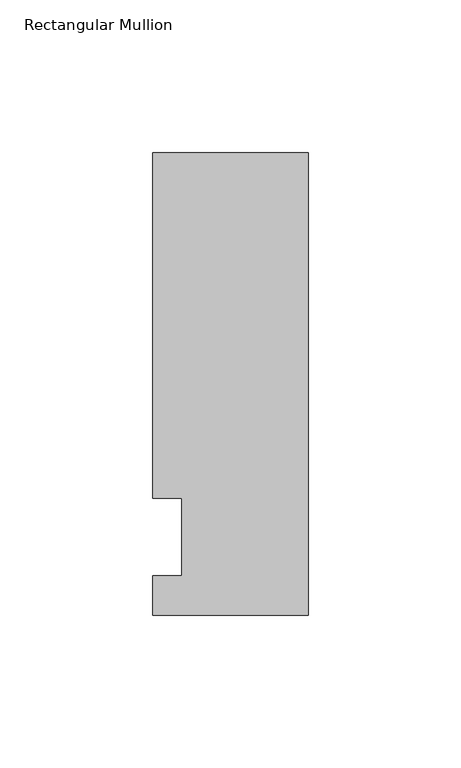
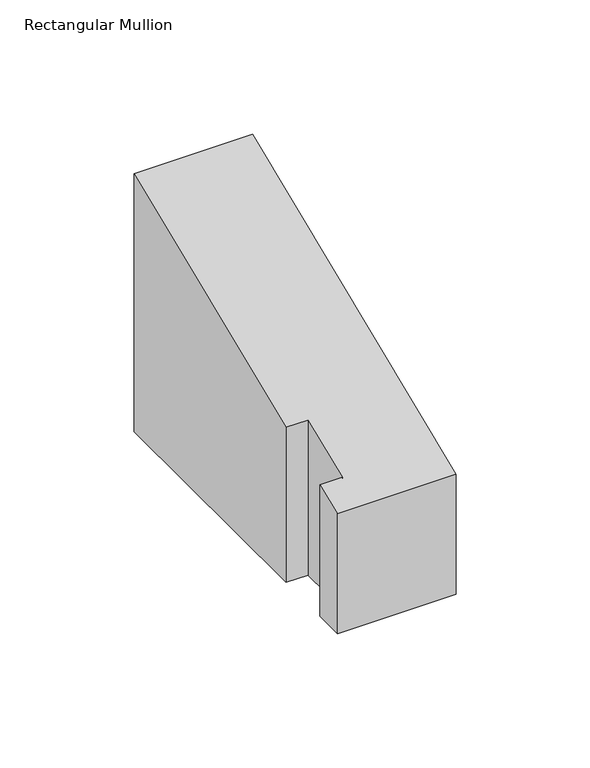
"""IFC4 building model written with IfcOpenShell, lengths in millimetres: member geometry, Rectangular Mullion."""

from ifc_helpers import new_model, si_unit, origin, place, context, project, spatial, faceted_brep, source, transform, mapped, element, save


def rectangular_mullion_52c4b442(model_context):
    return source(origin(), model_context, "Body", "Brep", [
        faceted_brep([(-50.8, -25.5984375, -65.0875), (-50.8, -12.7, -65.0875), (-41.275, -12.7, -65.0875), (-41.275, 12.7, -65.0875), (-50.8, 12.7, -65.0875), (-50.8, 125.6109375, -65.0875), (0.0, 125.6109375, -65.0875), (0.0, -25.5984375, -65.0875), (0.0, -25.5984375, -10.60322), (-50.8, -25.5984375, -10.60322), (0.0, 125.6109375, 52.0297539), (-50.8, 125.6109375, 52.0297539), (-50.8, 12.7, 5.2605122), (-41.275, 12.7, 5.2605122), (-41.275, -12.7, -5.2605122), (-50.8, -12.7, -5.2605122)], [[[0, 1, 2, 3, 4, 5, 6, 7]], [[8, 9, 0, 7]], [[10, 8, 7, 6]], [[11, 10, 6, 5]], [[12, 11, 5, 4]], [[13, 12, 4, 3]], [[14, 13, 3, 2]], [[15, 14, 2, 1]], [[9, 15, 1, 0]], [[9, 8, 10, 11, 12, 13, 14, 15]]]),
    ])


if __name__ == "__main__":
    model = new_model("IFC4")
    model_context = context("Model", 3, world=origin())
    ifc_project = project(units=[si_unit("LENGTHUNIT", "METRE", prefix="MILLI")], contexts=[model_context])
    site = spatial("IfcSite", under=ifc_project)
    building = spatial("IfcBuilding", under=site)
    placement = place(None, origin())
    rectangular_mullion_shape = rectangular_mullion_52c4b442(model_context)
    element("IfcMember", 1, ObjectType="Rectangular Mullion", at=placement, inside=building, context=model_context, shape_type="MappedRepresentation", body=[
        mapped(rectangular_mullion_shape, transform((0.0, 0.0, 0.0), x_axis=(1.0, 0.0, 0.0), y_axis=(0.0, 1.0, 0.0), z_axis=(0.0, 0.0, 1.0))),
    ])
    save(model, "model.ifc")
